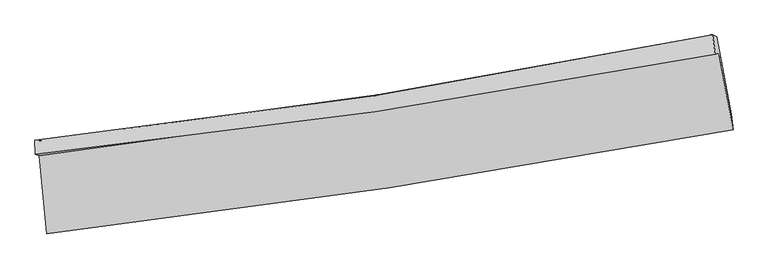
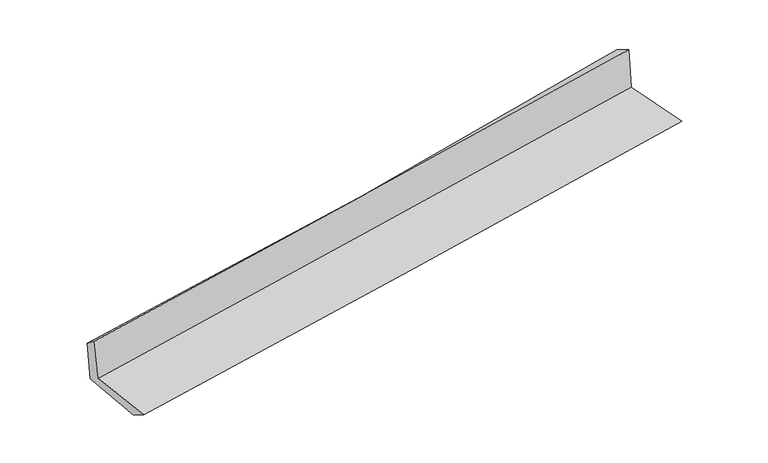
"""IFC4 building model written with IfcOpenShell, lengths in millimetres: proxy geometry."""

from ifc_helpers import new_model, si_unit, frame, origin, place, context, project, spatial, source, transform, mapped, element, save
from ifc_brep_helpers import plane_surface, spline_curve, spline_surface, advanced_brep


def generic_models_a1bbb989(model_context):
    return source(origin(), model_context, "Body", "AdvancedBrep", [
        advanced_brep(
        [(-2894.1821303, -1920.0559462, 1622.857136), (-2831.6830203, -2580.5768863, 1624.8893764), (2973.0989781, -1701.6153658, 2114.4340055), (2853.7355638, -1052.0573899, 2116.1118744), (-2926.3109929, -1907.5897374, 2014.7016463), (2822.6875816, -1063.3958646, 2524.8351769), (-2930.3391246, -1786.9111481, 1920.7500277), (2800.1062888, -898.409691, 2429.8113066), (-2900.0588732, -1791.6585924, 1543.0412108), (2834.1948673, -912.5061323, 2041.173355), (-2838.6499163, -2422.3357983, 1523.0294998), (2956.1074267, -1569.4675459, 2024.8112804)],
        [
            (0, 1),
            (1, 2, spline_curve(3, [(-2831.6830203, -2580.5768863, 1624.8893764), (-1864.13535328, -2466.708737309, 1728.837856878), (-897.911804503, -2336.765380359, 1821.529056922), (1037.029680369, -2043.95001553, 1984.830915824), (2005.733464347, -1880.906198964, 2055.321258339), (2973.0989781, -1701.6153658, 2114.4340055)], [4, 2, 4], [0.0, 9.59347903357594, 19.238088430088172])),
            (2, 3),
            (3, 0, spline_curve(3, [(2853.7355638, -1052.0573899, 2116.1118744), (1895.319661817, -1220.533460857, 2053.62540783), (935.842704739, -1377.265824888, 1981.141867386), (-980.141080429, -1666.474489971, 1816.617904427), (-1936.636688157, -1799.074977919, 1724.683198667), (-2894.1821303, -1920.0559462, 1622.857136)], [4, 2, 4], [0.0, 9.644609396512232, 19.238088430088172])),
            (4, 0),
            (3, 5),
            (5, 4, spline_curve(3, [(2822.6875816, -1063.3958646, 2524.8351769), (1865.045133536, -1245.792945422, 2474.188650133), (905.863322791, -1407.473032525, 2406.195292685), (-1010.485813662, -1688.651912633, 2235.967343796), (-1967.636861114, -1808.369782706, 2133.91619062), (-2926.3109929, -1907.5897374, 2014.7016463)], [4, 2, 4], [0.0, 9.59745957189136, 19.144038743032155])),
            (6, 4),
            (5, 7),
            (7, 6, spline_curve(3, [(2800.1062888, -898.409691, 2429.8113066), (1849.017387187, -1092.135224146, 2352.804616085), (894.657967089, -1263.176434638, 2271.756036604), (-1015.525089166, -1559.10370533, 2102.026201407), (-1971.314140047, -1684.229647015, 2013.387688226), (-2930.3391246, -1786.9111481, 1920.7500277)], [4, 2, 4], [0.0, 9.587750931287198, 19.124672931644675])),
            (8, 6),
            (7, 9),
            (9, 8, spline_curve(3, [(2834.1948673, -912.5061323, 2041.173355), (1881.686759332, -1094.219072811, 1955.793934761), (926.300571977, -1258.486720435, 1871.485725248), (-985.147776402, -1551.353060374, 1705.453005291), (-1941.17950254, -1680.136232641, 1623.717166408), (-2900.0588732, -1791.6585924, 1543.0412108)], [4, 2, 4], [0.0, 9.578220016263455, 19.105661629215696])),
            (10, 8),
            (9, 11),
            (11, 10, spline_curve(3, [(2956.1074267, -1569.4675459, 2024.8112804), (1991.447644499, -1739.298613883, 1938.914236738), (1024.932965073, -1895.439105938, 1854.042148731), (-906.672431354, -2179.583748714, 1686.792393605), (-1871.743532533, -2307.732673776, 1604.403888366), (-2838.6499163, -2422.3357983, 1523.0294998)], [4, 2, 4], [0.0, 9.624395720581456, 19.197768239910843])),
            (1, 10),
            (11, 2),
        ],
        [
            spline_surface(3, 3, [[(-2894.1821303, -1920.0559462, 1622.857136), (-1936.636688039, -1799.074977953, 1724.683198803), (-980.141080411, -1666.474489886, 1816.617904393), (935.842704721, -1377.265824972, 1981.141867421), (1895.319661785, -1220.533460896, 2053.625407975), (2853.7355638, -1052.0573899, 2116.1118744)], [(-2873.349093639, -2140.229592911, 1623.534549464), (-1912.469576415, -2021.619564412, 1726.068084801), (-952.731321769, -1889.904786707, 1818.2549553), (969.571696555, -1599.493888494, 1982.371550207), (1932.12426263, -1440.657706913, 2054.190691492), (2893.523368545, -1268.576715186, 2115.552584785)], [(-2852.516056961, -2360.403239589, 1624.211962936), (-1888.302464774, -2244.164150837, 1727.452970806), (-925.321563063, -2113.335083529, 1819.892006133), (1003.300688453, -1821.721952017, 1983.601232919), (1968.928863539, -1660.781952972, 2054.755974955), (2933.311173355, -1485.096040514, 2114.993295115)], [(-2831.6830203, -2580.5768863, 1624.8893764), (-1864.135353149, -2466.708737295, 1728.837856804), (-897.911804421, -2336.76538035, 1821.52905704), (1037.029680287, -2043.950015539, 1984.830915705), (2005.733464384, -1880.906198989, 2055.321258473), (2973.0989781, -1701.6153658, 2114.4340055)]], [4, 4], [4, 2, 4], [0.0, 2.213778743293763], [0.0, 9.59347903357594, 19.238088430088172]),
            spline_surface(3, 3, [[(-2926.3109929, -1907.5897374, 2014.7016463), (-1967.636861179, -1808.369782788, 2133.916190695), (-1010.485813745, -1688.65191252, 2235.96734366), (905.863322874, -1407.473032639, 2406.195292822), (1865.045133557, -1245.792945329, 2474.188650103), (2822.6875816, -1063.3958646, 2524.8351769)], [(-2915.601372014, -1911.745140329, 1884.086809517), (-1957.303470113, -1805.271514505, 1997.505193381), (-1000.370902628, -1681.25943832, 2096.184197226), (915.856450162, -1397.403963428, 2264.510817676), (1875.136642965, -1237.373117212, 2334.000902728), (2833.036908998, -1059.616373061, 2388.594076068)], [(-2904.891751186, -1915.900543271, 1753.471972783), (-1946.970079105, -1802.173246236, 1861.094196116), (-990.255991527, -1673.866964086, 1956.401050828), (925.849577433, -1387.334894183, 2122.826342567), (1885.228152378, -1228.953289012, 2193.813155349), (2843.386236402, -1055.836881439, 2252.352975232)], [(-2894.1821303, -1920.0559462, 1622.857136), (-1936.636688039, -1799.074977953, 1724.683198803), (-980.141080411, -1666.474489886, 1816.617904393), (935.842704721, -1377.265824972, 1981.141867421), (1895.319661785, -1220.533460896, 2053.625407975), (2853.7355638, -1052.0573899, 2116.1118744)]], [4, 4], [4, 2, 4], [0.0, 1.3914148269879736], [0.0, 9.546579171140795, 19.144038743032155]),
            spline_surface(3, 3, [[(-2930.3391246, -1786.9111481, 1920.7500277), (-1971.31413995, -1684.229647033, 2013.387688077), (-1015.52508913, -1559.103705258, 2102.026201461), (894.657967053, -1263.17643471, 2271.75603655), (1849.017387328, -1092.135224102, 2352.804616096), (2800.1062888, -898.409691, 2429.8113066)], [(-2928.996414028, -1827.137344536, 1952.06723392), (-1970.088380355, -1725.609692287, 2053.563855636), (-1013.845330654, -1602.286440995, 2146.673248873), (898.393085675, -1311.275300669, 2316.569121986), (1854.359969415, -1143.354464495, 2393.265960743), (2807.633386411, -953.405082184, 2461.485930012)], [(-2927.653703472, -1867.363540964, 1983.38444008), (-1968.862620774, -1766.989737534, 2093.740023136), (-1012.165572221, -1645.469176783, 2191.320296248), (902.128204253, -1359.37416668, 2361.382207386), (1859.70255147, -1194.573704936, 2433.727305456), (2815.160483989, -1008.400473416, 2493.160553488)], [(-2926.3109929, -1907.5897374, 2014.7016463), (-1967.636861179, -1808.369782788, 2133.916190695), (-1010.485813745, -1688.65191252, 2235.96734366), (905.863322874, -1407.473032639, 2406.195292822), (1865.045133557, -1245.792945329, 2474.188650103), (2822.6875816, -1063.3958646, 2524.8351769)]], [4, 4], [4, 2, 4], [0.0, 0.6296479683778544], [0.0, 9.536922000357476, 19.124672931644675]),
            spline_surface(3, 3, [[(-2900.0588732, -1791.6585924, 1543.0412108), (-1941.179502643, -1680.136232555, 1623.717166418), (-985.147776507, -1551.353060329, 1705.453005153), (926.300572082, -1258.48672048, 1871.485725387), (1881.686759405, -1094.219072705, 1955.793934735), (2834.1948673, -912.5061323, 2041.173355)], [(-2910.152290333, -1790.076110958, 1668.944149771), (-1951.224381745, -1681.500704039, 1753.607340308), (-995.273547389, -1553.936608655, 1837.644070569), (915.753037065, -1260.049958573, 2004.909162421), (1870.796968712, -1093.52445652, 2088.130828553), (2822.8320078, -907.807318549, 2170.719338898)], [(-2920.245707467, -1788.493629542, 1794.847088729), (-1961.269260849, -1682.865175549, 1883.497514187), (-1005.399318248, -1556.520156933, 1969.835136045), (905.20550207, -1261.613196617, 2138.332599516), (1859.90717802, -1092.829840287, 2220.467722278), (2811.4691483, -903.108504751, 2300.265322702)], [(-2930.3391246, -1786.9111481, 1920.7500277), (-1971.31413995, -1684.229647033, 2013.387688077), (-1015.52508913, -1559.103705258, 2102.026201461), (894.657967053, -1263.17643471, 2271.75603655), (1849.017387328, -1092.135224102, 2352.804616096), (2800.1062888, -898.409691, 2429.8113066)]], [4, 4], [4, 2, 4], [0.0, 1.311302302132217], [0.0, 9.527441612952241, 19.105661629215696]),
            spline_surface(3, 3, [[(-2838.6499163, -2422.3357983, 1523.0294998), (-1871.743532661, -2307.732673887, 1604.403888456), (-906.672431218, -2179.58374862, 1686.792393748), (1024.932964935, -1895.439106032, 1854.042148586), (1991.447644464, -1739.298613838, 1938.914236855), (2956.1074267, -1569.4675459, 2024.8112804)], [(-2859.119568616, -2212.110063008, 1529.700070119), (-1894.888856004, -2098.533860117, 1610.841647762), (-932.830879644, -1970.173519194, 1693.012597547), (992.055500655, -1683.121644185, 1859.856674184), (1954.860682767, -1524.272100122, 1944.540802806), (2915.46990689, -1350.480408028, 2030.265305258)], [(-2879.589220884, -2001.884327692, 1536.370640481), (-1918.034179299, -1889.335046324, 1617.279407111), (-958.989328081, -1760.763289755, 1699.232801354), (959.178036363, -1470.804182327, 1865.671199789), (1918.273721102, -1309.245586421, 1950.167368784), (2874.83238711, -1131.493270172, 2035.719330142)], [(-2900.0588732, -1791.6585924, 1543.0412108), (-1941.179502643, -1680.136232555, 1623.717166418), (-985.147776507, -1551.353060329, 1705.453005153), (926.300572082, -1258.48672048, 1871.485725387), (1881.686759405, -1094.219072705, 1955.793934735), (2834.1948673, -912.5061323, 2041.173355)]], [4, 4], [4, 2, 4], [0.0, 2.096604362532496], [0.0, 9.573372519329387, 19.197768239910843]),
            spline_surface(3, 3, [[(-2831.6830203, -2580.5768863, 1624.8893764), (-1864.135353149, -2466.708737295, 1728.837856804), (-897.911804421, -2336.76538035, 1821.52905704), (1037.029680287, -2043.950015539, 1984.830915705), (2005.733464384, -1880.906198989, 2055.321258473), (2973.0989781, -1701.6153658, 2114.4340055)], [(-2834.00531897, -2527.829856958, 1590.936084209), (-1866.67141299, -2413.716716151, 1687.359867363), (-900.832013348, -2284.371503093, 1776.61683594), (1032.997441842, -1994.446379022, 1941.234659997), (2000.971524433, -1833.703670597, 2016.518917913), (2967.435127656, -1657.566092491, 2084.55976378)], [(-2836.32761763, -2475.082827642, 1556.982791991), (-1869.20747282, -2360.724695031, 1645.881877896), (-903.752222291, -2231.977625878, 1731.704614848), (1028.96520338, -1944.942742548, 1897.638404295), (1996.209584414, -1786.50114223, 1977.716577414), (2961.771277144, -1613.516819209, 2054.68552212)], [(-2838.6499163, -2422.3357983, 1523.0294998), (-1871.743532661, -2307.732673887, 1604.403888456), (-906.672431218, -2179.58374862, 1686.792393748), (1024.932964935, -1895.439106032, 1854.042148586), (1991.447644464, -1739.298613838, 1938.914236855), (2956.1074267, -1569.4675459, 2024.8112804)]], [4, 4], [4, 2, 4], [0.0, 0.6650234750924565], [0.0, 9.62964175005048, 19.31060659945869]),
            plane_surface(frame((2873.3217844, -1199.5753316, 2208.5294998), z_axis=(0.980457583513804, 0.17996457081047026, 0.07947125381718566), x_axis=(-0.08732048221058478, 0.03610910462670526, 0.9955256229497906))),
            plane_surface(frame((-2886.8706763, -2068.1880181, 1708.2114828), z_axis=(-0.9924677865043124, -0.09414938824037597, -0.07838102732928097), x_axis=(-0.0941997414901457, 0.995548605826492, -0.003063027932913796))),
        ],
        [
            (0, [[1, 2, 3, 4]]),
            (1, [[5, -4, 6, 7]]),
            (2, [[8, -7, 9, 10]]),
            (3, [[11, -10, 12, 13]]),
            (4, [[14, -13, 15, 16]]),
            (5, [[17, -16, 18, -2]]),
            (6, [[-12, -9, -6, -3, -18, -15]]),
            (7, [[-1, -5, -8, -11, -14, -17]]),
        ],
    ),
    ])


if __name__ == "__main__":
    model = new_model("IFC4")
    model_context = context("Model", 3, world=origin())
    ifc_project = project(units=[si_unit("LENGTHUNIT", "METRE", prefix="MILLI")], contexts=[model_context])
    site = spatial("IfcSite", under=ifc_project)
    building = spatial("IfcBuilding", under=site)
    placement = place(None, origin())
    generic_models_shape = generic_models_a1bbb989(model_context)
    element("IfcBuildingElementProxy", 1, Name="Generic Models", at=placement, inside=building, context=model_context, shape_type="MappedRepresentation", body=[
        mapped(generic_models_shape, transform((0.0, 0.0, 0.0), x_axis=(1.0, 0.0, 0.0), y_axis=(0.0, 1.0, 0.0), z_axis=(0.0, 0.0, 1.0))),
    ])
    save(model, "model.ifc")
